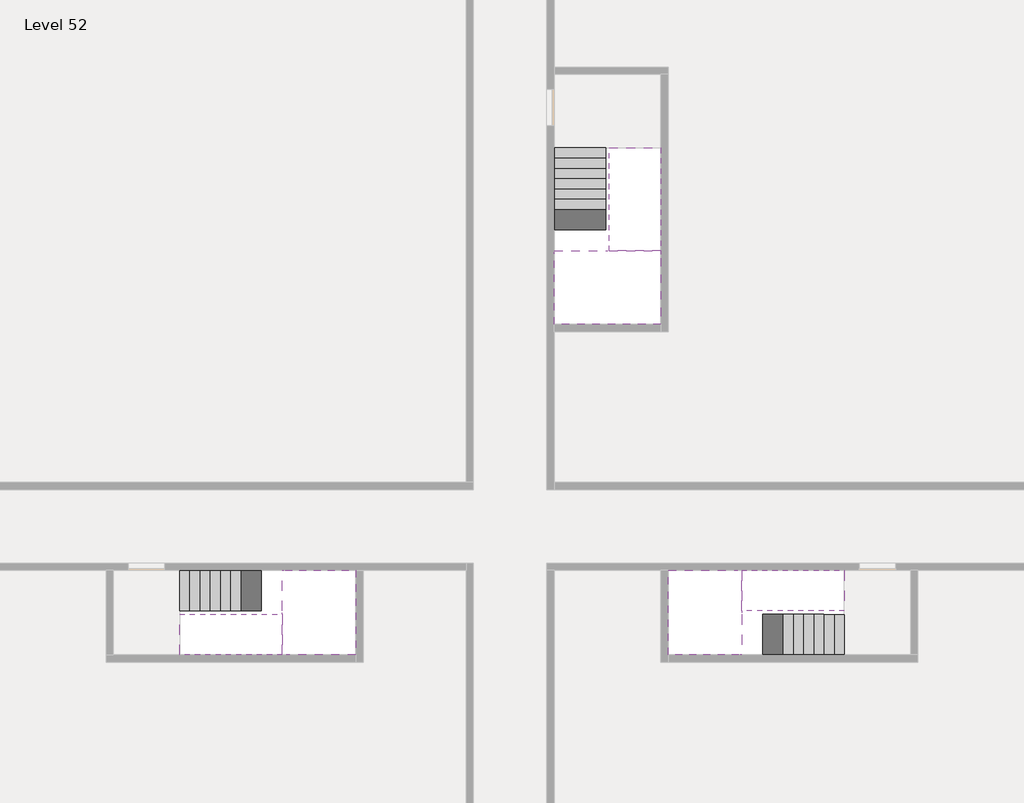
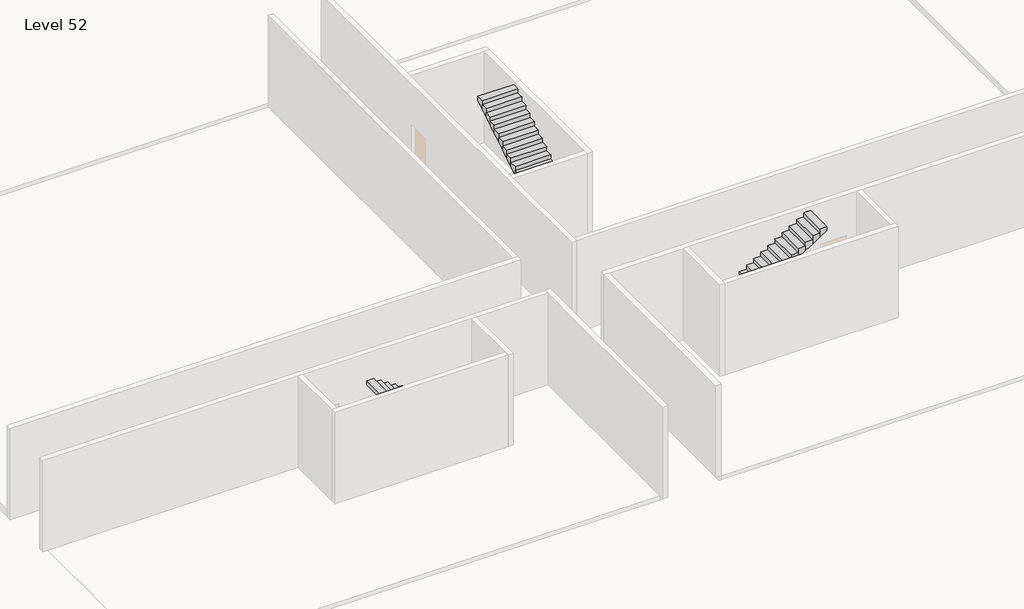
# One storey, part 2 of 2: 6 stair flights, 3 slabs.
"""IFC4 building model written with IfcOpenShell, lengths in millimetres."""

from ifc_helpers import new_model, si_unit, origin, place, context, project, spatial, faceted_brep, element, save

model = new_model("IFC4")

# Units and contexts
model_context = context("Model", 3, world=origin())
ifc_project = project(units=[si_unit("LENGTHUNIT", "METRE", prefix="MILLI")], contexts=[model_context])

# Site, building, storey
site = spatial("IfcSite", under=ifc_project)
building = spatial("IfcBuilding", under=site)
storey = spatial("IfcBuildingStorey", under=building, Name="Level 52", Elevation=193800.0)

# Slabs
placement = place(None, origin())
element("IfcSlab", 1, at=placement, inside=storey, context=model_context, shape_type="Brep", body=[
    faceted_brep([(26790.1058784, -34218.09644, 195700.0), (25390.1058784, -34218.09644, 195700.0), (25390.1058784, -34297.4828763, 195700.0), (25390.1058784, -36218.09644, 195700.0), (28290.1058784, -36218.09644, 195700.0), (28290.1058784, -34418.7100038, 195700.0), (28290.1058784, -34218.09644, 195700.0), (26890.1058784, -34218.09644, 195700.0), (26790.1058784, -34218.09644, 195400.0), (26790.1058784, -34218.09644, 195351.0278478), (25390.1058784, -34218.09644, 195351.0278478), (25390.1058784, -34218.09644, 195527.2727273), (25390.1058784, -34297.4828763, 195400.0), (25390.1058784, -36218.09644, 195400.0), (28290.1058784, -36218.09644, 195400.0), (28290.1058784, -34418.7100038, 195400.0), (28290.1058784, -34218.09644, 195523.7551205), (26890.1058784, -34218.09644, 195523.7551205), (26890.1058784, -34218.09644, 195400.0), (26890.1058784, -34418.7100038, 195400.0), (26790.1058784, -34297.4828763, 195400.0)], [[[0, 1, 2, 3, 4, 5, 6, 7]], [[1, 0, 8, 9, 10, 11]], [[1, 11, 10, 12, 13, 3, 2]], [[4, 3, 13, 14]], [[4, 14, 15, 16, 6, 5]], [[7, 6, 16, 17]], [[0, 7, 17, 18, 8]], [[18, 19, 15, 14, 13, 12, 20, 8]], [[19, 18, 17]], [[20, 12, 10, 9]], [[8, 20, 9]], [[15, 19, 17, 16]]]),
])
element("IfcSlab", 2, at=placement, inside=storey, context=model_context, shape_type="Brep", body=[
    faceted_brep([(30490.1058784, -45218.09644, 195700.0), (30490.1058784, -44118.09644, 195700.0), (30490.1058784, -44018.09644, 195700.0), (30490.1058784, -42918.09644, 195700.0), (30289.4923146, -42918.09644, 195700.0), (28490.1058784, -42918.09644, 195700.0), (28490.1058784, -45218.09644, 195700.0), (30410.7194421, -45218.09644, 195700.0), (30490.1058784, -45218.09644, 195527.2727273), (30490.1058784, -45218.09644, 195351.0278478), (30490.1058784, -44118.09644, 195351.0278478), (30490.1058784, -44118.09644, 195400.0), (30490.1058784, -44018.09644, 195400.0), (30490.1058784, -44018.09644, 195523.7551205), (30490.1058784, -42918.09644, 195523.7551205), (30289.4923146, -42918.09644, 195400.0), (28490.1058784, -42918.09644, 195400.0), (28490.1058784, -45218.09644, 195400.0), (30410.7194421, -45218.09644, 195400.0), (30289.4923146, -44018.09644, 195400.0), (30410.7194421, -44118.09644, 195400.0)], [[[0, 1, 2, 3, 4, 5, 6, 7]], [[1, 0, 8, 9, 10, 11]], [[2, 1, 11, 12, 13]], [[3, 2, 13, 14]], [[3, 14, 15, 16, 5, 4]], [[6, 5, 16, 17]], [[9, 8, 0, 7, 6, 17, 18]], [[19, 12, 11, 20, 18, 17, 16, 15]], [[12, 19, 13]], [[18, 20, 10, 9]], [[20, 11, 10]], [[19, 15, 14, 13]]]),
])
element("IfcSlab", 3, at=placement, inside=storey, context=model_context, shape_type="Brep", body=[
    faceted_brep([(17990.1058784, -42918.09644, 195700.0), (17990.1058784, -44018.09644, 195700.0), (17990.1058784, -44118.09644, 195700.0), (17990.1058784, -45218.09644, 195700.0), (18190.7194421, -45218.09644, 195700.0), (19990.1058784, -45218.09644, 195700.0), (19990.1058784, -42918.09644, 195700.0), (18069.4923146, -42918.09644, 195700.0), (17990.1058784, -42918.09644, 195527.2727273), (17990.1058784, -42918.09644, 195351.0278478), (17990.1058784, -44018.09644, 195351.0278478), (17990.1058784, -44018.09644, 195400.0), (17990.1058784, -44118.09644, 195400.0), (17990.1058784, -44118.09644, 195523.7551205), (17990.1058784, -45218.09644, 195523.7551205), (18190.7194421, -45218.09644, 195400.0), (19990.1058784, -45218.09644, 195400.0), (19990.1058784, -42918.09644, 195400.0), (18069.4923146, -42918.09644, 195400.0), (18190.7194421, -44118.09644, 195400.0), (18069.4923146, -44018.09644, 195400.0)], [[[0, 1, 2, 3, 4, 5, 6, 7]], [[1, 0, 8, 9, 10, 11]], [[2, 1, 11, 12, 13]], [[3, 2, 13, 14]], [[3, 14, 15, 16, 5, 4]], [[6, 5, 16, 17]], [[9, 8, 0, 7, 6, 17, 18]], [[19, 12, 11, 20, 18, 17, 16, 15]], [[12, 19, 13]], [[18, 20, 10, 9]], [[20, 11, 10]], [[19, 15, 14, 13]]]),
])

# Stair flights
element("IfcStairFlight", 4, at=placement, inside=storey, context=model_context, shape_type="Brep", body=[
    faceted_brep([(26790.1058784, -31698.09644, 193972.7272727), (26790.1058784, -31418.09644, 193972.7272727), (25390.1058784, -31418.09644, 193972.7272727), (25390.1058784, -31698.09644, 193972.7272727), (26790.1058784, -31698.09644, 193800.0), (26790.1058784, -31418.09644, 193800.0), (25390.1058784, -31418.09644, 193800.0), (25390.1058784, -31698.09644, 193800.0), (26790.1058784, -31978.09644, 194145.4545455), (26790.1058784, -31698.09644, 194145.4545455), (25390.1058784, -31698.09644, 194145.4545455), (25390.1058784, -31978.09644, 194145.4545455), (26790.1058784, -31978.09644, 193969.209666), (26790.1058784, -31703.7986657, 193800.0), (25390.1058784, -31703.7986657, 193800.0), (25390.1058784, -31978.09644, 193969.209666), (26790.1058784, -32258.09644, 194318.1818182), (26790.1058784, -31978.09644, 194318.1818182), (25390.1058784, -31978.09644, 194318.1818182), (25390.1058784, -32258.09644, 194318.1818182), (26790.1058784, -32258.09644, 194141.9369387), (25390.1058784, -32258.09644, 194141.9369387), (26790.1058784, -32538.09644, 194490.9090909), (26790.1058784, -32258.09644, 194490.9090909), (25390.1058784, -32258.09644, 194490.9090909), (25390.1058784, -32538.09644, 194490.9090909), (26790.1058784, -32538.09644, 194314.6642114), (25390.1058784, -32538.09644, 194314.6642114), (26790.1058784, -32818.09644, 194663.6363636), (26790.1058784, -32538.09644, 194663.6363636), (25390.1058784, -32538.09644, 194663.6363636), (25390.1058784, -32818.09644, 194663.6363636), (26790.1058784, -32818.09644, 194487.3914841), (25390.1058784, -32818.09644, 194487.3914841), (26790.1058784, -33098.09644, 194836.3636364), (26790.1058784, -32818.09644, 194836.3636364), (25390.1058784, -32818.09644, 194836.3636364), (25390.1058784, -33098.09644, 194836.3636364), (26790.1058784, -33098.09644, 194660.1187569), (25390.1058784, -33098.09644, 194660.1187569), (26790.1058784, -33378.09644, 195009.0909091), (26790.1058784, -33098.09644, 195009.0909091), (25390.1058784, -33098.09644, 195009.0909091), (25390.1058784, -33378.09644, 195009.0909091), (26790.1058784, -33378.09644, 194832.8460296), (25390.1058784, -33378.09644, 194832.8460296), (26790.1058784, -33658.09644, 195181.8181818), (26790.1058784, -33378.09644, 195181.8181818), (25390.1058784, -33378.09644, 195181.8181818), (25390.1058784, -33658.09644, 195181.8181818), (26790.1058784, -33658.09644, 195005.5733023), (25390.1058784, -33658.09644, 195005.5733023), (26790.1058784, -33938.09644, 195354.5454545), (26790.1058784, -33658.09644, 195354.5454545), (25390.1058784, -33658.09644, 195354.5454545), (25390.1058784, -33938.09644, 195354.5454545), (26790.1058784, -33938.09644, 195178.3005751), (25390.1058784, -33938.09644, 195178.3005751), (26790.1058784, -34218.09644, 195527.2727273), (26790.1058784, -33938.09644, 195527.2727273), (25390.1058784, -33938.09644, 195527.2727273), (25390.1058784, -34218.09644, 195527.2727273), (26790.1058784, -34218.09644, 195400.0), (26790.1058784, -34218.09644, 195351.0278478), (25390.1058784, -34218.09644, 195351.0278478)], [[[0, 1, 2, 3]], [[1, 0, 4, 5]], [[2, 1, 5, 6]], [[3, 2, 6, 7]], [[8, 9, 10, 11]], [[4, 0, 9, 8, 12, 13]], [[0, 3, 10, 9]], [[3, 7, 14, 15, 11, 10]], [[16, 17, 18, 19]], [[17, 16, 20, 12, 8]], [[8, 11, 18, 17]], [[19, 18, 11, 15, 21]], [[22, 23, 24, 25]], [[23, 22, 26, 20, 16]], [[16, 19, 24, 23]], [[25, 24, 19, 21, 27]], [[28, 29, 30, 31]], [[29, 28, 32, 26, 22]], [[22, 25, 30, 29]], [[31, 30, 25, 27, 33]], [[34, 35, 36, 37]], [[35, 34, 38, 32, 28]], [[28, 31, 36, 35]], [[37, 36, 31, 33, 39]], [[40, 41, 42, 43]], [[41, 40, 44, 38, 34]], [[34, 37, 42, 41]], [[43, 42, 37, 39, 45]], [[46, 47, 48, 49]], [[47, 46, 50, 44, 40]], [[40, 43, 48, 47]], [[49, 48, 43, 45, 51]], [[52, 53, 54, 55]], [[53, 52, 56, 50, 46]], [[46, 49, 54, 53]], [[55, 54, 49, 51, 57]], [[58, 59, 60, 61]], [[59, 58, 62, 63, 56, 52]], [[52, 55, 60, 59]], [[61, 60, 55, 57, 64]], [[58, 61, 64, 63, 62]], [[5, 4, 13, 14, 7, 6]], [[14, 13, 12, 20, 26, 32, 38, 44, 50, 56, 63, 64, 57, 51, 45, 39, 33, 27, 21, 15]]]),
])
element("IfcStairFlight", 5, at=placement, inside=storey, context=model_context, shape_type="Brep", body=[
    faceted_brep([(26890.1058784, -33938.09644, 195872.7272727), (26890.1058784, -34218.09644, 195872.7272727), (28290.1058784, -34218.09644, 195872.7272727), (28290.1058784, -33938.09644, 195872.7272727), (26890.1058784, -33938.09644, 195696.4823932), (26890.1058784, -34218.09644, 195523.7551205), (28290.1058784, -34218.09644, 195523.7551205), (28290.1058784, -34218.09644, 195700.0), (28290.1058784, -33938.09644, 195696.4823932), (26890.1058784, -33658.09644, 196045.4545455), (26890.1058784, -33938.09644, 196045.4545455), (28290.1058784, -33938.09644, 196045.4545455), (28290.1058784, -33658.09644, 196045.4545455), (26890.1058784, -33658.09644, 195869.209666), (28290.1058784, -33658.09644, 195869.209666), (26890.1058784, -33378.09644, 196218.1818182), (26890.1058784, -33658.09644, 196218.1818182), (28290.1058784, -33658.09644, 196218.1818182), (28290.1058784, -33378.09644, 196218.1818182), (26890.1058784, -33378.09644, 196041.9369387), (28290.1058784, -33378.09644, 196041.9369387), (26890.1058784, -33098.09644, 196390.9090909), (26890.1058784, -33378.09644, 196390.9090909), (28290.1058784, -33378.09644, 196390.9090909), (28290.1058784, -33098.09644, 196390.9090909), (26890.1058784, -33098.09644, 196214.6642114), (28290.1058784, -33098.09644, 196214.6642114), (26890.1058784, -32818.09644, 196563.6363636), (26890.1058784, -33098.09644, 196563.6363636), (28290.1058784, -33098.09644, 196563.6363636), (28290.1058784, -32818.09644, 196563.6363636), (26890.1058784, -32818.09644, 196387.3914841), (28290.1058784, -32818.09644, 196387.3914841), (26890.1058784, -32538.09644, 196736.3636364), (26890.1058784, -32818.09644, 196736.3636364), (28290.1058784, -32818.09644, 196736.3636364), (28290.1058784, -32538.09644, 196736.3636364), (26890.1058784, -32538.09644, 196560.1187569), (28290.1058784, -32538.09644, 196560.1187569), (26890.1058784, -32258.09644, 196909.0909091), (26890.1058784, -32538.09644, 196909.0909091), (28290.1058784, -32538.09644, 196909.0909091), (28290.1058784, -32258.09644, 196909.0909091), (26890.1058784, -32258.09644, 196732.8460296), (28290.1058784, -32258.09644, 196732.8460296), (26890.1058784, -31978.09644, 197081.8181818), (26890.1058784, -32258.09644, 197081.8181818), (28290.1058784, -32258.09644, 197081.8181818), (28290.1058784, -31978.09644, 197081.8181818), (26890.1058784, -31978.09644, 196905.5733023), (28290.1058784, -31978.09644, 196905.5733023), (26890.1058784, -31698.09644, 197254.5454545), (26890.1058784, -31978.09644, 197254.5454545), (28290.1058784, -31978.09644, 197254.5454545), (28290.1058784, -31698.09644, 197254.5454545), (26890.1058784, -31698.09644, 197078.3005751), (28290.1058784, -31698.09644, 197078.3005751), (26890.1058784, -31418.09644, 197427.2727273), (26890.1058784, -31698.09644, 197427.2727273), (28290.1058784, -31698.09644, 197427.2727273), (28290.1058784, -31418.09644, 197427.2727273), (26890.1058784, -31418.09644, 197251.0278478), (28290.1058784, -31418.09644, 197251.0278478)], [[[0, 1, 2, 3]], [[1, 0, 4, 5]], [[2, 1, 5, 6, 7]], [[3, 2, 7, 6, 8]], [[9, 10, 11, 12]], [[10, 9, 13, 4, 0]], [[11, 10, 0, 3]], [[12, 11, 3, 8, 14]], [[15, 16, 17, 18]], [[16, 15, 19, 13, 9]], [[17, 16, 9, 12]], [[18, 17, 12, 14, 20]], [[21, 22, 23, 24]], [[22, 21, 25, 19, 15]], [[23, 22, 15, 18]], [[24, 23, 18, 20, 26]], [[27, 28, 29, 30]], [[28, 27, 31, 25, 21]], [[29, 28, 21, 24]], [[30, 29, 24, 26, 32]], [[33, 34, 35, 36]], [[34, 33, 37, 31, 27]], [[35, 34, 27, 30]], [[36, 35, 30, 32, 38]], [[39, 40, 41, 42]], [[40, 39, 43, 37, 33]], [[41, 40, 33, 36]], [[42, 41, 36, 38, 44]], [[45, 46, 47, 48]], [[46, 45, 49, 43, 39]], [[47, 46, 39, 42]], [[48, 47, 42, 44, 50]], [[51, 52, 53, 54]], [[52, 51, 55, 49, 45]], [[53, 52, 45, 48]], [[54, 53, 48, 50, 56]], [[57, 58, 59, 60]], [[58, 57, 61, 55, 51]], [[59, 58, 51, 54]], [[60, 59, 54, 56, 62]], [[57, 60, 62, 61]], [[5, 4, 13, 19, 25, 31, 37, 43, 49, 55, 61, 62, 56, 50, 44, 38, 32, 26, 20, 14, 8, 6]]]),
])
element("IfcStairFlight", 6, at=placement, inside=storey, context=model_context, shape_type="Brep", body=[
    faceted_brep([(33010.1058784, -45218.09644, 193972.7272727), (33290.1058784, -45218.09644, 193972.7272727), (33290.1058784, -44118.09644, 193972.7272727), (33010.1058784, -44118.09644, 193972.7272727), (33010.1058784, -45218.09644, 193800.0), (33290.1058784, -45218.09644, 193800.0), (33290.1058784, -44118.09644, 193800.0), (33010.1058784, -44118.09644, 193800.0), (32730.1058784, -45218.09644, 194145.4545455), (33010.1058784, -45218.09644, 194145.4545455), (33010.1058784, -44118.09644, 194145.4545455), (32730.1058784, -44118.09644, 194145.4545455), (32730.1058784, -45218.09644, 193969.209666), (33004.4036527, -45218.09644, 193800.0), (33004.4036527, -44118.09644, 193800.0), (32730.1058784, -44118.09644, 193969.209666), (32450.1058784, -45218.09644, 194318.1818182), (32730.1058784, -45218.09644, 194318.1818182), (32730.1058784, -44118.09644, 194318.1818182), (32450.1058784, -44118.09644, 194318.1818182), (32450.1058784, -45218.09644, 194141.9369387), (32450.1058784, -44118.09644, 194141.9369387), (32170.1058784, -45218.09644, 194490.9090909), (32450.1058784, -45218.09644, 194490.9090909), (32450.1058784, -44118.09644, 194490.9090909), (32170.1058784, -44118.09644, 194490.9090909), (32170.1058784, -45218.09644, 194314.6642114), (32170.1058784, -44118.09644, 194314.6642114), (31890.1058784, -45218.09644, 194663.6363636), (32170.1058784, -45218.09644, 194663.6363636), (32170.1058784, -44118.09644, 194663.6363636), (31890.1058784, -44118.09644, 194663.6363636), (31890.1058784, -45218.09644, 194487.3914841), (31890.1058784, -44118.09644, 194487.3914841), (31610.1058784, -45218.09644, 194836.3636364), (31890.1058784, -45218.09644, 194836.3636364), (31890.1058784, -44118.09644, 194836.3636364), (31610.1058784, -44118.09644, 194836.3636364), (31610.1058784, -45218.09644, 194660.1187569), (31610.1058784, -44118.09644, 194660.1187569), (31330.1058784, -45218.09644, 195009.0909091), (31610.1058784, -45218.09644, 195009.0909091), (31610.1058784, -44118.09644, 195009.0909091), (31330.1058784, -44118.09644, 195009.0909091), (31330.1058784, -45218.09644, 194832.8460296), (31330.1058784, -44118.09644, 194832.8460296), (31050.1058784, -45218.09644, 195181.8181818), (31330.1058784, -45218.09644, 195181.8181818), (31330.1058784, -44118.09644, 195181.8181818), (31050.1058784, -44118.09644, 195181.8181818), (31050.1058784, -45218.09644, 195005.5733023), (31050.1058784, -44118.09644, 195005.5733023), (30770.1058784, -45218.09644, 195354.5454545), (31050.1058784, -45218.09644, 195354.5454545), (31050.1058784, -44118.09644, 195354.5454545), (30770.1058784, -44118.09644, 195354.5454545), (30770.1058784, -45218.09644, 195178.3005751), (30770.1058784, -44118.09644, 195178.3005751), (30490.1058784, -45218.09644, 195527.2727273), (30770.1058784, -45218.09644, 195527.2727273), (30770.1058784, -44118.09644, 195527.2727273), (30490.1058784, -44118.09644, 195527.2727273), (30490.1058784, -45218.09644, 195351.0278478), (30490.1058784, -44118.09644, 195351.0278478), (30490.1058784, -44118.09644, 195400.0)], [[[0, 1, 2, 3]], [[1, 0, 4, 5]], [[2, 1, 5, 6]], [[3, 2, 6, 7]], [[8, 9, 10, 11]], [[4, 0, 9, 8, 12, 13]], [[0, 3, 10, 9]], [[3, 7, 14, 15, 11, 10]], [[16, 17, 18, 19]], [[17, 16, 20, 12, 8]], [[8, 11, 18, 17]], [[19, 18, 11, 15, 21]], [[22, 23, 24, 25]], [[23, 22, 26, 20, 16]], [[16, 19, 24, 23]], [[25, 24, 19, 21, 27]], [[28, 29, 30, 31]], [[29, 28, 32, 26, 22]], [[22, 25, 30, 29]], [[31, 30, 25, 27, 33]], [[34, 35, 36, 37]], [[35, 34, 38, 32, 28]], [[28, 31, 36, 35]], [[37, 36, 31, 33, 39]], [[40, 41, 42, 43]], [[41, 40, 44, 38, 34]], [[34, 37, 42, 41]], [[43, 42, 37, 39, 45]], [[46, 47, 48, 49]], [[47, 46, 50, 44, 40]], [[40, 43, 48, 47]], [[49, 48, 43, 45, 51]], [[52, 53, 54, 55]], [[53, 52, 56, 50, 46]], [[46, 49, 54, 53]], [[55, 54, 49, 51, 57]], [[58, 59, 60, 61]], [[59, 58, 62, 56, 52]], [[52, 55, 60, 59]], [[61, 60, 55, 57, 63, 64]], [[58, 61, 64, 63, 62]], [[5, 4, 13, 14, 7, 6]], [[14, 13, 12, 20, 26, 32, 38, 44, 50, 56, 62, 63, 57, 51, 45, 39, 33, 27, 21, 15]]]),
])
element("IfcStairFlight", 7, at=placement, inside=storey, context=model_context, shape_type="Brep", body=[
    faceted_brep([(30770.1058784, -42918.09644, 195872.7272727), (30490.1058784, -42918.09644, 195872.7272727), (30490.1058784, -44018.09644, 195872.7272727), (30770.1058784, -44018.09644, 195872.7272727), (30770.1058784, -42918.09644, 195696.4823932), (30490.1058784, -42918.09644, 195523.7551205), (30490.1058784, -42918.09644, 195700.0), (30490.1058784, -44018.09644, 195523.7551205), (30770.1058784, -44018.09644, 195696.4823932), (31050.1058784, -42918.09644, 196045.4545455), (30770.1058784, -42918.09644, 196045.4545455), (30770.1058784, -44018.09644, 196045.4545455), (31050.1058784, -44018.09644, 196045.4545455), (31050.1058784, -42918.09644, 195869.209666), (31050.1058784, -44018.09644, 195869.209666), (31330.1058784, -42918.09644, 196218.1818182), (31050.1058784, -42918.09644, 196218.1818182), (31050.1058784, -44018.09644, 196218.1818182), (31330.1058784, -44018.09644, 196218.1818182), (31330.1058784, -42918.09644, 196041.9369387), (31330.1058784, -44018.09644, 196041.9369387), (31610.1058784, -42918.09644, 196390.9090909), (31330.1058784, -42918.09644, 196390.9090909), (31330.1058784, -44018.09644, 196390.9090909), (31610.1058784, -44018.09644, 196390.9090909), (31610.1058784, -42918.09644, 196214.6642114), (31610.1058784, -44018.09644, 196214.6642114), (31890.1058784, -42918.09644, 196563.6363636), (31610.1058784, -42918.09644, 196563.6363636), (31610.1058784, -44018.09644, 196563.6363636), (31890.1058784, -44018.09644, 196563.6363636), (31890.1058784, -42918.09644, 196387.3914841), (31890.1058784, -44018.09644, 196387.3914841), (32170.1058784, -42918.09644, 196736.3636364), (31890.1058784, -42918.09644, 196736.3636364), (31890.1058784, -44018.09644, 196736.3636364), (32170.1058784, -44018.09644, 196736.3636364), (32170.1058784, -42918.09644, 196560.1187569), (32170.1058784, -44018.09644, 196560.1187569), (32450.1058784, -42918.09644, 196909.0909091), (32170.1058784, -42918.09644, 196909.0909091), (32170.1058784, -44018.09644, 196909.0909091), (32450.1058784, -44018.09644, 196909.0909091), (32450.1058784, -42918.09644, 196732.8460296), (32450.1058784, -44018.09644, 196732.8460296), (32730.1058784, -42918.09644, 197081.8181818), (32450.1058784, -42918.09644, 197081.8181818), (32450.1058784, -44018.09644, 197081.8181818), (32730.1058784, -44018.09644, 197081.8181818), (32730.1058784, -42918.09644, 196905.5733023), (32730.1058784, -44018.09644, 196905.5733023), (33010.1058784, -42918.09644, 197254.5454545), (32730.1058784, -42918.09644, 197254.5454545), (32730.1058784, -44018.09644, 197254.5454545), (33010.1058784, -44018.09644, 197254.5454545), (33010.1058784, -42918.09644, 197078.3005751), (33010.1058784, -44018.09644, 197078.3005751), (33290.1058784, -42918.09644, 197427.2727273), (33010.1058784, -42918.09644, 197427.2727273), (33010.1058784, -44018.09644, 197427.2727273), (33290.1058784, -44018.09644, 197427.2727273), (33290.1058784, -42918.09644, 197251.0278478), (33290.1058784, -44018.09644, 197251.0278478)], [[[0, 1, 2, 3]], [[1, 0, 4, 5, 6]], [[2, 1, 6, 5, 7]], [[3, 2, 7, 8]], [[9, 10, 11, 12]], [[10, 9, 13, 4, 0]], [[11, 10, 0, 3]], [[12, 11, 3, 8, 14]], [[15, 16, 17, 18]], [[16, 15, 19, 13, 9]], [[17, 16, 9, 12]], [[18, 17, 12, 14, 20]], [[21, 22, 23, 24]], [[22, 21, 25, 19, 15]], [[23, 22, 15, 18]], [[24, 23, 18, 20, 26]], [[27, 28, 29, 30]], [[28, 27, 31, 25, 21]], [[29, 28, 21, 24]], [[30, 29, 24, 26, 32]], [[33, 34, 35, 36]], [[34, 33, 37, 31, 27]], [[35, 34, 27, 30]], [[36, 35, 30, 32, 38]], [[39, 40, 41, 42]], [[40, 39, 43, 37, 33]], [[41, 40, 33, 36]], [[42, 41, 36, 38, 44]], [[45, 46, 47, 48]], [[46, 45, 49, 43, 39]], [[47, 46, 39, 42]], [[48, 47, 42, 44, 50]], [[51, 52, 53, 54]], [[52, 51, 55, 49, 45]], [[53, 52, 45, 48]], [[54, 53, 48, 50, 56]], [[57, 58, 59, 60]], [[58, 57, 61, 55, 51]], [[59, 58, 51, 54]], [[60, 59, 54, 56, 62]], [[57, 60, 62, 61]], [[5, 4, 13, 19, 25, 31, 37, 43, 49, 55, 61, 62, 56, 50, 44, 38, 32, 26, 20, 14, 8, 7]]]),
])
element("IfcStairFlight", 8, at=placement, inside=storey, context=model_context, shape_type="Brep", body=[
    faceted_brep([(15470.1058784, -42918.09644, 193972.7272727), (15190.1058784, -42918.09644, 193972.7272727), (15190.1058784, -44018.09644, 193972.7272727), (15470.1058784, -44018.09644, 193972.7272727), (15470.1058784, -42918.09644, 193800.0), (15190.1058784, -42918.09644, 193800.0), (15190.1058784, -44018.09644, 193800.0), (15470.1058784, -44018.09644, 193800.0), (15750.1058784, -42918.09644, 194145.4545455), (15470.1058784, -42918.09644, 194145.4545455), (15470.1058784, -44018.09644, 194145.4545455), (15750.1058784, -44018.09644, 194145.4545455), (15750.1058784, -42918.09644, 193969.209666), (15475.8081041, -42918.09644, 193800.0), (15475.8081041, -44018.09644, 193800.0), (15750.1058784, -44018.09644, 193969.209666), (16030.1058784, -42918.09644, 194318.1818182), (15750.1058784, -42918.09644, 194318.1818182), (15750.1058784, -44018.09644, 194318.1818182), (16030.1058784, -44018.09644, 194318.1818182), (16030.1058784, -42918.09644, 194141.9369387), (16030.1058784, -44018.09644, 194141.9369387), (16310.1058784, -42918.09644, 194490.9090909), (16030.1058784, -42918.09644, 194490.9090909), (16030.1058784, -44018.09644, 194490.9090909), (16310.1058784, -44018.09644, 194490.9090909), (16310.1058784, -42918.09644, 194314.6642114), (16310.1058784, -44018.09644, 194314.6642114), (16590.1058784, -42918.09644, 194663.6363636), (16310.1058784, -42918.09644, 194663.6363636), (16310.1058784, -44018.09644, 194663.6363636), (16590.1058784, -44018.09644, 194663.6363636), (16590.1058784, -42918.09644, 194487.3914841), (16590.1058784, -44018.09644, 194487.3914841), (16870.1058784, -42918.09644, 194836.3636364), (16590.1058784, -42918.09644, 194836.3636364), (16590.1058784, -44018.09644, 194836.3636364), (16870.1058784, -44018.09644, 194836.3636364), (16870.1058784, -42918.09644, 194660.1187569), (16870.1058784, -44018.09644, 194660.1187569), (17150.1058784, -42918.09644, 195009.0909091), (16870.1058784, -42918.09644, 195009.0909091), (16870.1058784, -44018.09644, 195009.0909091), (17150.1058784, -44018.09644, 195009.0909091), (17150.1058784, -42918.09644, 194832.8460296), (17150.1058784, -44018.09644, 194832.8460296), (17430.1058784, -42918.09644, 195181.8181818), (17150.1058784, -42918.09644, 195181.8181818), (17150.1058784, -44018.09644, 195181.8181818), (17430.1058784, -44018.09644, 195181.8181818), (17430.1058784, -42918.09644, 195005.5733023), (17430.1058784, -44018.09644, 195005.5733023), (17710.1058784, -42918.09644, 195354.5454545), (17430.1058784, -42918.09644, 195354.5454545), (17430.1058784, -44018.09644, 195354.5454545), (17710.1058784, -44018.09644, 195354.5454545), (17710.1058784, -42918.09644, 195178.3005751), (17710.1058784, -44018.09644, 195178.3005751), (17990.1058784, -42918.09644, 195527.2727273), (17710.1058784, -42918.09644, 195527.2727273), (17710.1058784, -44018.09644, 195527.2727273), (17990.1058784, -44018.09644, 195527.2727273), (17990.1058784, -42918.09644, 195351.0278478), (17990.1058784, -44018.09644, 195351.0278478), (17990.1058784, -44018.09644, 195400.0)], [[[0, 1, 2, 3]], [[1, 0, 4, 5]], [[2, 1, 5, 6]], [[3, 2, 6, 7]], [[8, 9, 10, 11]], [[4, 0, 9, 8, 12, 13]], [[0, 3, 10, 9]], [[3, 7, 14, 15, 11, 10]], [[16, 17, 18, 19]], [[17, 16, 20, 12, 8]], [[8, 11, 18, 17]], [[19, 18, 11, 15, 21]], [[22, 23, 24, 25]], [[23, 22, 26, 20, 16]], [[16, 19, 24, 23]], [[25, 24, 19, 21, 27]], [[28, 29, 30, 31]], [[29, 28, 32, 26, 22]], [[22, 25, 30, 29]], [[31, 30, 25, 27, 33]], [[34, 35, 36, 37]], [[35, 34, 38, 32, 28]], [[28, 31, 36, 35]], [[37, 36, 31, 33, 39]], [[40, 41, 42, 43]], [[41, 40, 44, 38, 34]], [[34, 37, 42, 41]], [[43, 42, 37, 39, 45]], [[46, 47, 48, 49]], [[47, 46, 50, 44, 40]], [[40, 43, 48, 47]], [[49, 48, 43, 45, 51]], [[52, 53, 54, 55]], [[53, 52, 56, 50, 46]], [[46, 49, 54, 53]], [[55, 54, 49, 51, 57]], [[58, 59, 60, 61]], [[59, 58, 62, 56, 52]], [[52, 55, 60, 59]], [[61, 60, 55, 57, 63, 64]], [[58, 61, 64, 63, 62]], [[5, 4, 13, 14, 7, 6]], [[14, 13, 12, 20, 26, 32, 38, 44, 50, 56, 62, 63, 57, 51, 45, 39, 33, 27, 21, 15]]]),
])
element("IfcStairFlight", 9, at=placement, inside=storey, context=model_context, shape_type="Brep", body=[
    faceted_brep([(17710.1058784, -45218.09644, 195872.7272727), (17990.1058784, -45218.09644, 195872.7272727), (17990.1058784, -44118.09644, 195872.7272727), (17710.1058784, -44118.09644, 195872.7272727), (17710.1058784, -45218.09644, 195696.4823932), (17990.1058784, -45218.09644, 195523.7551205), (17990.1058784, -45218.09644, 195700.0), (17990.1058784, -44118.09644, 195523.7551205), (17710.1058784, -44118.09644, 195696.4823932), (17430.1058784, -45218.09644, 196045.4545455), (17710.1058784, -45218.09644, 196045.4545455), (17710.1058784, -44118.09644, 196045.4545455), (17430.1058784, -44118.09644, 196045.4545455), (17430.1058784, -45218.09644, 195869.209666), (17430.1058784, -44118.09644, 195869.209666), (17150.1058784, -45218.09644, 196218.1818182), (17430.1058784, -45218.09644, 196218.1818182), (17430.1058784, -44118.09644, 196218.1818182), (17150.1058784, -44118.09644, 196218.1818182), (17150.1058784, -45218.09644, 196041.9369387), (17150.1058784, -44118.09644, 196041.9369387), (16870.1058784, -45218.09644, 196390.9090909), (17150.1058784, -45218.09644, 196390.9090909), (17150.1058784, -44118.09644, 196390.9090909), (16870.1058784, -44118.09644, 196390.9090909), (16870.1058784, -45218.09644, 196214.6642114), (16870.1058784, -44118.09644, 196214.6642114), (16590.1058784, -45218.09644, 196563.6363636), (16870.1058784, -45218.09644, 196563.6363636), (16870.1058784, -44118.09644, 196563.6363636), (16590.1058784, -44118.09644, 196563.6363636), (16590.1058784, -45218.09644, 196387.3914841), (16590.1058784, -44118.09644, 196387.3914841), (16310.1058784, -45218.09644, 196736.3636364), (16590.1058784, -45218.09644, 196736.3636364), (16590.1058784, -44118.09644, 196736.3636364), (16310.1058784, -44118.09644, 196736.3636364), (16310.1058784, -45218.09644, 196560.1187569), (16310.1058784, -44118.09644, 196560.1187569), (16030.1058784, -45218.09644, 196909.0909091), (16310.1058784, -45218.09644, 196909.0909091), (16310.1058784, -44118.09644, 196909.0909091), (16030.1058784, -44118.09644, 196909.0909091), (16030.1058784, -45218.09644, 196732.8460296), (16030.1058784, -44118.09644, 196732.8460296), (15750.1058784, -45218.09644, 197081.8181818), (16030.1058784, -45218.09644, 197081.8181818), (16030.1058784, -44118.09644, 197081.8181818), (15750.1058784, -44118.09644, 197081.8181818), (15750.1058784, -45218.09644, 196905.5733023), (15750.1058784, -44118.09644, 196905.5733023), (15470.1058784, -45218.09644, 197254.5454545), (15750.1058784, -45218.09644, 197254.5454545), (15750.1058784, -44118.09644, 197254.5454545), (15470.1058784, -44118.09644, 197254.5454545), (15470.1058784, -45218.09644, 197078.3005751), (15470.1058784, -44118.09644, 197078.3005751), (15190.1058784, -45218.09644, 197427.2727273), (15470.1058784, -45218.09644, 197427.2727273), (15470.1058784, -44118.09644, 197427.2727273), (15190.1058784, -44118.09644, 197427.2727273), (15190.1058784, -45218.09644, 197251.0278478), (15190.1058784, -44118.09644, 197251.0278478)], [[[0, 1, 2, 3]], [[1, 0, 4, 5, 6]], [[2, 1, 6, 5, 7]], [[3, 2, 7, 8]], [[9, 10, 11, 12]], [[10, 9, 13, 4, 0]], [[11, 10, 0, 3]], [[12, 11, 3, 8, 14]], [[15, 16, 17, 18]], [[16, 15, 19, 13, 9]], [[17, 16, 9, 12]], [[18, 17, 12, 14, 20]], [[21, 22, 23, 24]], [[22, 21, 25, 19, 15]], [[23, 22, 15, 18]], [[24, 23, 18, 20, 26]], [[27, 28, 29, 30]], [[28, 27, 31, 25, 21]], [[29, 28, 21, 24]], [[30, 29, 24, 26, 32]], [[33, 34, 35, 36]], [[34, 33, 37, 31, 27]], [[35, 34, 27, 30]], [[36, 35, 30, 32, 38]], [[39, 40, 41, 42]], [[40, 39, 43, 37, 33]], [[41, 40, 33, 36]], [[42, 41, 36, 38, 44]], [[45, 46, 47, 48]], [[46, 45, 49, 43, 39]], [[47, 46, 39, 42]], [[48, 47, 42, 44, 50]], [[51, 52, 53, 54]], [[52, 51, 55, 49, 45]], [[53, 52, 45, 48]], [[54, 53, 48, 50, 56]], [[57, 58, 59, 60]], [[58, 57, 61, 55, 51]], [[59, 58, 51, 54]], [[60, 59, 54, 56, 62]], [[57, 60, 62, 61]], [[5, 4, 13, 19, 25, 31, 37, 43, 49, 55, 61, 62, 56, 50, 44, 38, 32, 26, 20, 14, 8, 7]]]),
])

save(model, "model.ifc")
